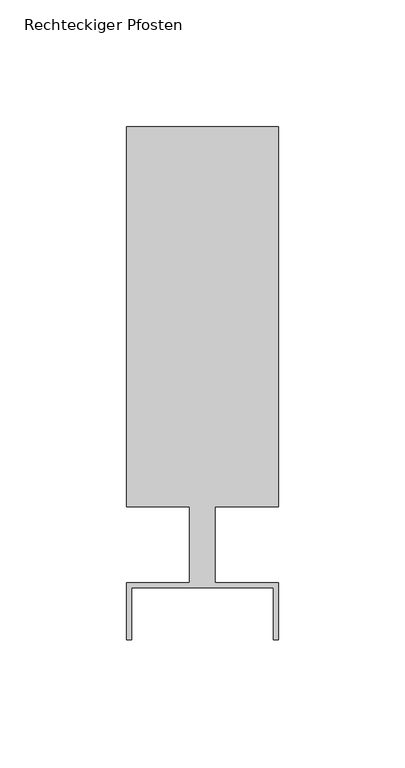
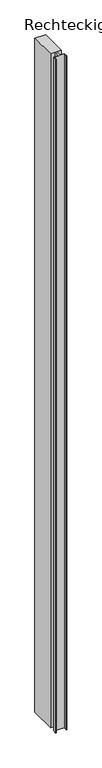
"""IFC4 building model written with IfcOpenShell, lengths in millimetres: member geometry, Rechteckiger Pfosten."""

from ifc_helpers import new_model, si_unit, frame, origin, place, context, project, spatial, polyline, outline, extrude, source, transform, mapped, element, save


def rechteckiger_pfosten_9505dc70(model_context):
    return source(origin(), model_context, "Body", "SweptSolid", [
        extrude(outline(polyline([(28.0, -37.5), (28.0, -17.0), (-28.0, -17.0), (-28.0, -37.5), (-30.0, -37.5), (-30.0, -15.0), (-5.0, -15.0), (-5.0, 15.0), (-30.0, 15.0), (-30.0, 165.0), (30.0, 165.0), (30.0, 15.0), (5.0, 15.0), (5.0, -15.0), (30.0, -15.0), (30.0, -37.5), (28.0, -37.5)])), frame((0.0, 0.0, -3954.5832828), z_axis=(0.0, 0.0, 1.0), x_axis=(1.0, 0.0, 0.0)), (0.0, 0.0, 1.0), 3954.5832828),
    ])


if __name__ == "__main__":
    model = new_model("IFC4")
    model_context = context("Model", 3, world=origin())
    ifc_project = project(units=[si_unit("LENGTHUNIT", "METRE", prefix="MILLI")], contexts=[model_context])
    site = spatial("IfcSite", under=ifc_project)
    building = spatial("IfcBuilding", under=site)
    placement = place(None, origin())
    rechteckiger_pfosten_shape = rechteckiger_pfosten_9505dc70(model_context)
    element("IfcMember", 1, ObjectType="Rechteckiger Pfosten", at=placement, inside=building, context=model_context, shape_type="MappedRepresentation", body=[
        mapped(rechteckiger_pfosten_shape, transform((0.0, 0.0, 0.0), x_axis=(1.0, 0.0, 0.0), y_axis=(0.0, 1.0, 0.0), z_axis=(0.0, 0.0, 1.0))),
    ])
    save(model, "model.ifc")
